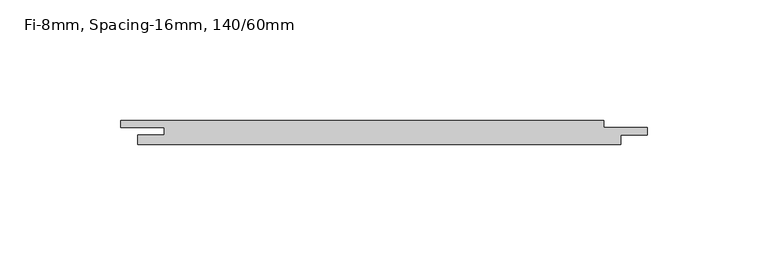
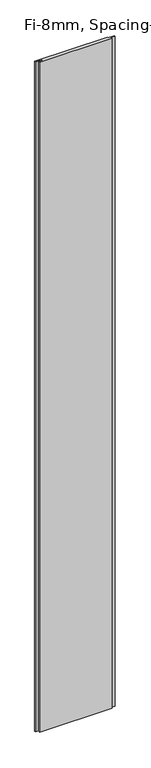
"""IFC4 building model written with IfcOpenShell, lengths in millimetres: plate geometry, Fi-8mm, Spacing-16mm, 140/60mm."""

import ifcopenshell
import ifcopenshell.guid

model = None  # the IFC model being written
_history = None  # IfcOwnerHistory: only IFC2X3 demands one
_inside = {}  # id of a spatial element -> (the spatial element, [elements in it])
_under = {}  # id of a project, library or spatial element -> (it, [spatial elements below it])
_declared = {}  # id of a project -> (the project, [libraries it declares])
_typed = {}  # id of a type object -> (the type object, [elements of that type])
_made_of = {}  # id of a material, layer set ... -> (it, [elements and type objects made of it])


def new_model(schema):
    """Start an empty IFC model of exactly this schema.

    Asked for "IFC4X3", IfcOpenShell would pick the latest addendum, in which some entities
    have other attributes; the version numbers below select the first issue.
    IFC2X3 requires an IfcOwnerHistory on every rooted entity: one is made here for all.
    """
    global model, _history
    if schema == "IFC4X3":
        model = ifcopenshell.file(schema_version=(4, 3, 0, 0))
    else:
        model = ifcopenshell.file(schema=schema)
    _inside.clear()
    _under.clear()
    _declared.clear()
    _typed.clear()
    _made_of.clear()
    _history = None
    if model.schema == "IFC2X3":
        org = make("IfcOrganization", Name="unknown")
        user = make(
            "IfcPersonAndOrganization",
            ThePerson=make("IfcPerson", FamilyName="unknown"),
            TheOrganization=org,
        )
        app = make(
            "IfcApplication",
            ApplicationDeveloper=org,
            Version="unknown",
            ApplicationFullName="unknown",
            ApplicationIdentifier="unknown",
        )
        _history = make(
            "IfcOwnerHistory",
            OwningUser=user,
            OwningApplication=app,
            ChangeAction="ADDED",
            CreationDate=0,
        )
    return model


def make(cls, **values):
    """One entity of the class cls with the attributes given. An attribute that is None is left unset."""
    return model.create_entity(
        cls, **{name: value for name, value in values.items() if value is not None}
    )


def rooted(cls, **values):
    """An entity with a GlobalId (a new one), such as an element, a storey or a relation."""
    return make(cls, GlobalId=ifcopenshell.guid.new(), OwnerHistory=_history, **values)


def si_unit(unit_type, name, prefix=None):
    """IfcSIUnit, for example si_unit("LENGTHUNIT", "METRE", prefix="MILLI")."""
    return make("IfcSIUnit", UnitType=unit_type, Prefix=prefix, Name=name)


def assignment(units):
    """IfcUnitAssignment: the units of a project."""
    return None if units is None else make("IfcUnitAssignment", Units=units)


def point(xyz):
    """IfcCartesianPoint."""
    return None if xyz is None else make("IfcCartesianPoint", Coordinates=xyz)


def direction(xyz):
    """IfcDirection."""
    return None if xyz is None else make("IfcDirection", DirectionRatios=xyz)


def frame(location, z_axis=None, x_axis=None):
    """IfcAxis2Placement3D, a coordinate frame: its origin and axes. An axis left out is left unset."""
    return make(
        "IfcAxis2Placement3D",
        Location=point(location),
        Axis=direction(z_axis),
        RefDirection=direction(x_axis),
    )


def origin():
    """The frame at (0, 0, 0) with its axes left unset."""
    return frame((0.0, 0.0, 0.0))


def origin_with_axes():
    """The frame at (0, 0, 0) with the z axis (0, 0, 1) and the x axis (1, 0, 0) written out."""
    return frame((0.0, 0.0, 0.0), z_axis=(0.0, 0.0, 1.0), x_axis=(1.0, 0.0, 0.0))


def place(relative_to, where):
    """IfcLocalPlacement: puts the frame where relative to a parent placement (None: the world)."""
    return make(
        "IfcLocalPlacement", PlacementRelTo=relative_to, RelativePlacement=where
    )


def context(
    kind, dimensions, precision=None, world=None, true_north=None, identifier=None
):
    """IfcGeometricRepresentationContext, for example the 3D "Model" context."""
    return make(
        "IfcGeometricRepresentationContext",
        ContextIdentifier=identifier,
        ContextType=kind,
        CoordinateSpaceDimension=dimensions,
        Precision=precision,
        WorldCoordinateSystem=world,
        TrueNorth=true_north,
    )


def project(units=None, contexts=None):
    """IfcProject with its units and contexts."""
    return rooted(
        "IfcProject",
        Name="project",
        RepresentationContexts=contexts,
        UnitsInContext=assignment(units),
    )


def spatial(cls, under=None, at=None, **own):
    """A site, building, storey or space (cls), placed at a placement, below another one or the project."""
    s = rooted(cls, ObjectPlacement=at, **own)
    if under is not None:
        _under.setdefault(under.id(), (under, []))[1].append(s)
    return s


def polyline(points):
    """IfcPolyline through the points."""
    return make("IfcPolyline", Points=[point(p) for p in points])


def outline(outer, holes=None, kind="AREA"):
    """IfcArbitraryClosedProfileDef: a profile drawn as a closed curve; with holes, ...WithVoids."""
    if holes is None:
        return make("IfcArbitraryClosedProfileDef", ProfileType=kind, OuterCurve=outer)
    return make(
        "IfcArbitraryProfileDefWithVoids",
        ProfileType=kind,
        OuterCurve=outer,
        InnerCurves=holes,
    )


def extrude(swept, where, along, depth):
    """IfcExtrudedAreaSolid: the profile swept, set in the frame where, extruded along a direction by depth."""
    return make(
        "IfcExtrudedAreaSolid",
        SweptArea=swept,
        Position=where,
        ExtrudedDirection=direction(along),
        Depth=depth,
    )


def shape(context_of_items, identifier, shape_type, items):
    """IfcShapeRepresentation: the items that make up one representation, for example the "Body"."""
    return make(
        "IfcShapeRepresentation",
        ContextOfItems=context_of_items,
        RepresentationIdentifier=identifier,
        RepresentationType=shape_type,
        Items=items,
    )


def source(mapping_origin, context_of_items, identifier, shape_type, items):
    """IfcRepresentationMap: a shape defined once, which mapped items show again and again."""
    return make(
        "IfcRepresentationMap",
        MappingOrigin=mapping_origin,
        MappedRepresentation=shape(context_of_items, identifier, shape_type, items),
    )


def transform(
    local_origin,
    x_axis=None,
    y_axis=None,
    z_axis=None,
    scale=None,
    scale2=None,
    scale3=None,
    uniform=True,
):
    """IfcCartesianTransformationOperator3D, or its non-uniform kind. x_axis, y_axis, z_axis: its Axis1, 2, 3."""
    if uniform:
        return make(
            "IfcCartesianTransformationOperator3D",
            Axis1=direction(x_axis),
            Axis2=direction(y_axis),
            LocalOrigin=point(local_origin),
            Scale=scale,
            Axis3=direction(z_axis),
        )
    return make(
        "IfcCartesianTransformationOperator3DnonUniform",
        Axis1=direction(x_axis),
        Axis2=direction(y_axis),
        LocalOrigin=point(local_origin),
        Scale=scale,
        Axis3=direction(z_axis),
        Scale2=scale2,
        Scale3=scale3,
    )


def mapped(mapping_source, mapping_target):
    """IfcMappedItem: shows the shape of a source again, moved by a transform."""
    return make(
        "IfcMappedItem", MappingSource=mapping_source, MappingTarget=mapping_target
    )


def made_of(thing, what):
    """Note that an element or type object is made of a material, layer set ...; save() writes the relation."""
    if what is not None:
        _made_of.setdefault(what.id(), (what, []))[1].append(thing)
    return thing


def element(
    cls,
    number,
    at=None,
    inside=None,
    cuts=None,
    type_object=None,
    material=None,
    context=None,
    identifier="Body",
    shape_type=None,
    held_by="IfcProductDefinitionShape",
    body=None,
    shapes=None,
    **own,
):
    """One element of the class cls, such as IfcWall. Its Tag is "e" and its number.

    at: its placement. inside: the storey or other place that contains it. cuts: it is an
    opening in that element (IfcRelVoidsElement). A single representation is given by context,
    identifier, shape_type and body (its items); several are given by shapes. held_by: the class
    of the entity that holds the representations. save() writes the other relations.
    """
    e = rooted(cls, Tag="e%d" % number, ObjectPlacement=at, **own)
    if body is not None:
        shapes = [shape(context, identifier, shape_type, body)]
    if shapes is not None:
        e.Representation = make(held_by, Representations=shapes)
    if inside is not None:
        _inside.setdefault(inside.id(), (inside, []))[1].append(e)
    if cuts is not None:
        rooted(
            "IfcRelVoidsElement", RelatingBuildingElement=cuts, RelatedOpeningElement=e
        )
    if type_object is not None:
        _typed.setdefault(type_object.id(), (type_object, []))[1].append(e)
    return made_of(e, material)


def aggregate(whole, parts):
    """IfcRelAggregates: a whole, such as a stair, and the parts it consists of."""
    return rooted("IfcRelAggregates", RelatingObject=whole, RelatedObjects=parts)


def save(model, path):
    """Write the relations noted so far, then the file.

    IfcRelAggregates (storeys below a building ...), IfcRelContainedInSpatialStructure (elements
    in a storey), IfcRelDefinesByType, IfcRelAssociatesMaterial and IfcRelDeclares: one each for
    every whole, place, type object, material and project.
    """
    for whole, parts in _under.values():
        aggregate(whole, parts)
    for where, things in _inside.values():
        rooted(
            "IfcRelContainedInSpatialStructure",
            RelatedElements=things,
            RelatingStructure=where,
        )
    for kind, things in _typed.values():
        rooted("IfcRelDefinesByType", RelatedObjects=things, RelatingType=kind)
    for what, things in _made_of.values():
        rooted("IfcRelAssociatesMaterial", RelatedObjects=things, RelatingMaterial=what)
    for by, libraries in _declared.values():
        rooted("IfcRelDeclares", RelatingContext=by, RelatedDefinitions=libraries)
    model.write(path)


def fi_8mm_spacing_16mm_140_60mm_9fd7be0b(model_context):
    return source(origin(), model_context, "Body", "SweptSolid", [
        extrude(outline(polyline([(93.0, 5.0), (93.0, 2.0), (111.0, 2.0), (111.0, -1.0), (100.0, -1.0), (100.0, -5.0), (-100.0, -5.0), (-100.0, -1.0), (-89.0, -1.0), (-89.0, 2.0), (-107.0, 2.0), (-107.0, 5.0), (93.0, 5.0)])), origin_with_axes(), (0.0, 0.0, 1.0), 1951.0),
    ])


if __name__ == "__main__":
    model = new_model("IFC4")
    model_context = context("Model", 3, world=origin())
    ifc_project = project(units=[si_unit("LENGTHUNIT", "METRE", prefix="MILLI")], contexts=[model_context])
    site = spatial("IfcSite", under=ifc_project)
    building = spatial("IfcBuilding", under=site)
    placement = place(None, origin())
    fi_8mm_spacing_16mm_140_60mm_shape = fi_8mm_spacing_16mm_140_60mm_9fd7be0b(model_context)
    element("IfcPlate", 1, ObjectType="Fi-8mm, Spacing-16mm, 140/60mm", at=placement, inside=building, context=model_context, shape_type="MappedRepresentation", body=[
        mapped(fi_8mm_spacing_16mm_140_60mm_shape, transform((0.0, 0.0, 0.0), x_axis=(1.0, 0.0, 0.0), y_axis=(0.0, 1.0, 0.0), z_axis=(0.0, 0.0, 1.0))),
    ])
    save(model, "model.ifc")
